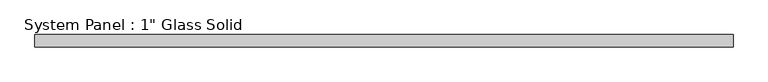
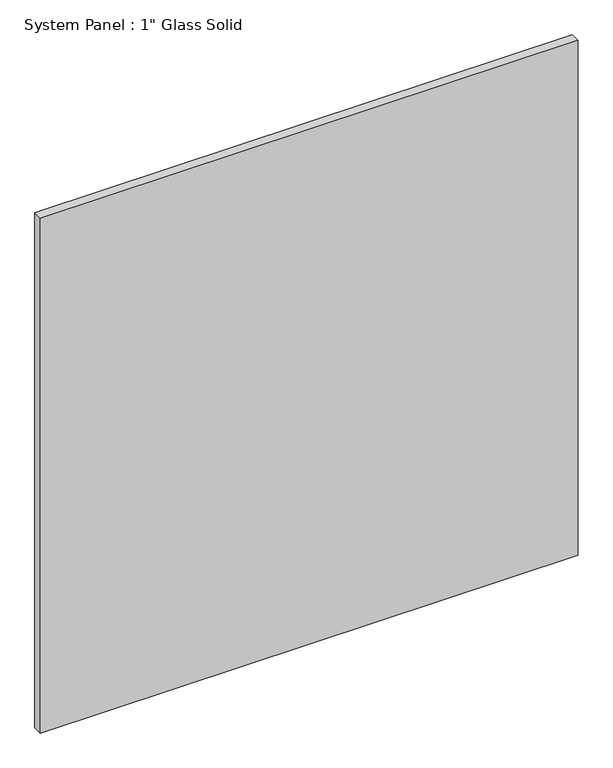
"""IFC4 building model written with IfcOpenShell, lengths in millimetres: plate geometry."""

from ifc_helpers import new_model, si_unit, origin, origin_with_axes, place, context, project, spatial, polyline, outline, extrude, source, transform, mapped, element, save


def plate_04e4f6c3(model_context):
    return source(origin(), model_context, "Body", "SweptSolid", [
        extrude(outline(polyline([(711.6804024, -12.7), (-711.6804024, -12.7), (-711.6804024, 12.7), (711.6804024, 12.7), (711.6804024, -12.7)])), origin_with_axes(), (0.0, 0.0, 1.0), 1440.1817704),
    ])


if __name__ == "__main__":
    model = new_model("IFC4")
    model_context = context("Model", 3, world=origin())
    ifc_project = project(units=[si_unit("LENGTHUNIT", "METRE", prefix="MILLI")], contexts=[model_context])
    site = spatial("IfcSite", under=ifc_project)
    building = spatial("IfcBuilding", under=site)
    placement = place(None, origin())
    plate_shape = plate_04e4f6c3(model_context)
    element("IfcPlate", 1, ObjectType="System Panel : 1\" Glass Solid", at=placement, inside=building, context=model_context, shape_type="MappedRepresentation", body=[
        mapped(plate_shape, transform((0.0, 0.0, 0.0), x_axis=(1.0, 0.0, 0.0), y_axis=(0.0, 1.0, 0.0), z_axis=(0.0, 0.0, 1.0))),
    ])
    save(model, "model.ifc")
